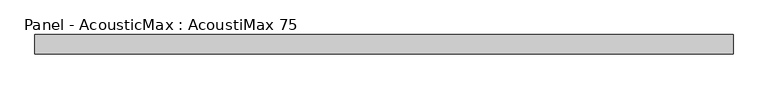
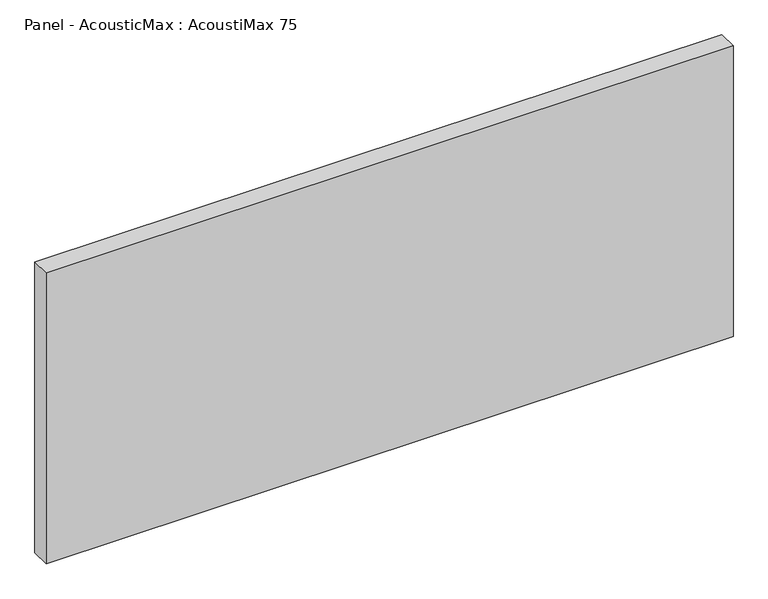
"""IFC4 building model written with IfcOpenShell, lengths in millimetres: plate geometry, Panel - AcousticMax : AcoustiMax 75."""

from ifc_helpers import new_model, si_unit, origin, origin_with_axes, place, context, project, spatial, polyline, outline, extrude, source, transform, mapped, element, save


def panel_acousticmax_acoustimax_75_b69b7ee6(model_context):
    return source(origin(), model_context, "Body", "SweptSolid", [
        extrude(outline(polyline([(1341.0, 37.5), (1341.0, -37.5), (-1340.5, -37.5), (-1340.5, 37.5), (1341.0, 37.5)])), origin_with_axes(), (0.0, 0.0, 1.0), 1200.0),
    ])


if __name__ == "__main__":
    model = new_model("IFC4")
    model_context = context("Model", 3, world=origin())
    ifc_project = project(units=[si_unit("LENGTHUNIT", "METRE", prefix="MILLI")], contexts=[model_context])
    site = spatial("IfcSite", under=ifc_project)
    building = spatial("IfcBuilding", under=site)
    placement = place(None, origin())
    panel_acousticmax_acoustimax_75_shape = panel_acousticmax_acoustimax_75_b69b7ee6(model_context)
    element("IfcPlate", 1, ObjectType="Panel - AcousticMax : AcoustiMax 75", at=placement, inside=building, context=model_context, shape_type="MappedRepresentation", body=[
        mapped(panel_acousticmax_acoustimax_75_shape, transform((0.0, 0.0, 0.0), x_axis=(1.0, 0.0, 0.0), y_axis=(0.0, 1.0, 0.0), z_axis=(0.0, 0.0, 1.0))),
    ])
    save(model, "model.ifc")
